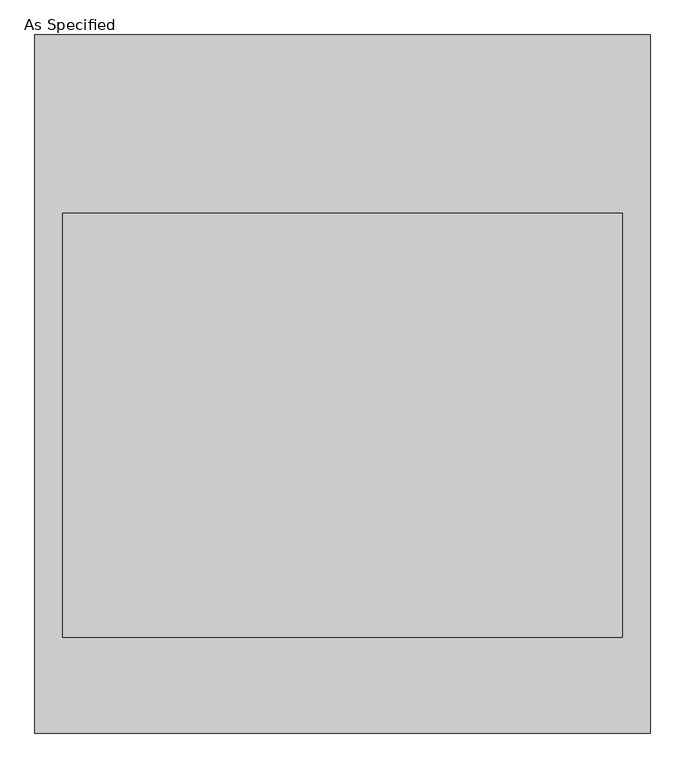
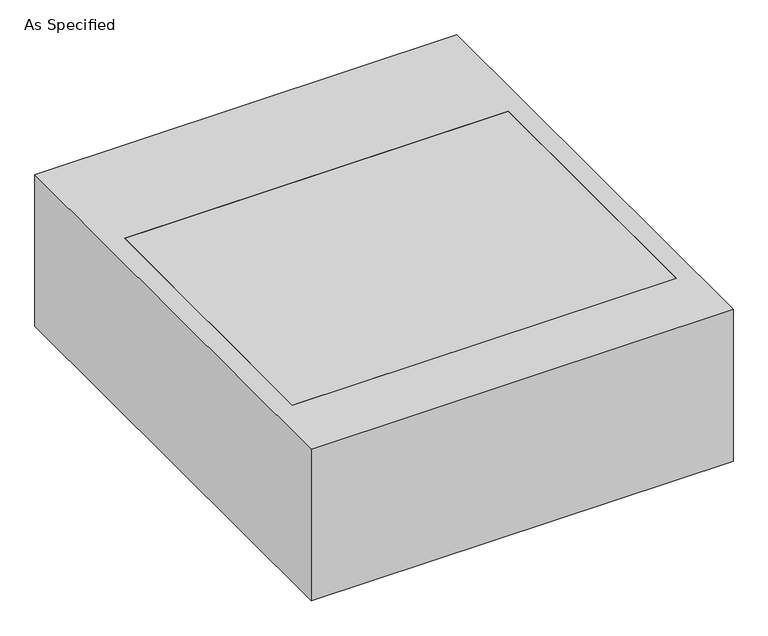
"""IFC4 building model written with IfcOpenShell, lengths in millimetres: proxy geometry, As Specified."""

from ifc_helpers import new_model, si_unit, frame, origin, place, context, project, spatial, polyline, outline, extrude, faceted_brep, source, transform, mapped, element, save


def as_specified_b25497d6(model_context):
    return source(origin(), model_context, "Body", "SolidModel", [
        faceted_brep([(-663.575, 752.475, -25.4), (-663.575, 752.475, -530.225), (-663.575, -752.475, -530.225), (-663.575, -752.475, -25.4), (-603.25, 368.3, -25.4), (-603.25, -546.1, -25.4), (-603.25, -546.1, -373.0625), (-603.25, 368.3, -373.0625), (663.575, 752.475, -25.4), (663.575, -752.475, -25.4), (603.25, 368.3, -25.4), (603.25, -546.1, -25.4), (663.575, -752.475, -530.225), (663.575, 752.475, -530.225), (603.25, 368.3, -373.0625), (603.25, -546.1, -373.0625)], [[[0, 1, 2, 3]], [[4, 5, 6, 7]], [[8, 0, 3, 9], [5, 4, 10, 11]], [[8, 9, 12, 13]], [[12, 9, 3, 2]], [[13, 12, 2, 1]], [[8, 13, 1, 0]], [[4, 7, 14, 10]], [[7, 6, 15, 14]], [[6, 5, 11, 15]], [[11, 10, 14, 15]]]),
        extrude(outline(polyline([(603.25, 368.3), (603.25, -546.1), (-603.25, -546.1), (-603.25, 368.3), (603.25, 368.3)])), frame((0.0, 0.0, -373.0625), z_axis=(0.0, 0.0, 1.0), x_axis=(1.0, 0.0, 0.0)), (0.0, 0.0, 1.0), 347.6625),
    ])


if __name__ == "__main__":
    model = new_model("IFC4")
    model_context = context("Model", 3, world=origin())
    ifc_project = project(units=[si_unit("LENGTHUNIT", "METRE", prefix="MILLI")], contexts=[model_context])
    site = spatial("IfcSite", under=ifc_project)
    building = spatial("IfcBuilding", under=site)
    placement = place(None, origin())
    as_specified_shape = as_specified_b25497d6(model_context)
    element("IfcBuildingElementProxy", 1, Name="As Specified", ObjectType="As Specified", at=placement, inside=building, context=model_context, shape_type="MappedRepresentation", body=[
        mapped(as_specified_shape, transform((0.0, 0.0, 0.0), x_axis=(1.0, 0.0, 0.0), y_axis=(0.0, 1.0, 0.0), z_axis=(0.0, 0.0, 1.0))),
    ])
    save(model, "model.ifc")
